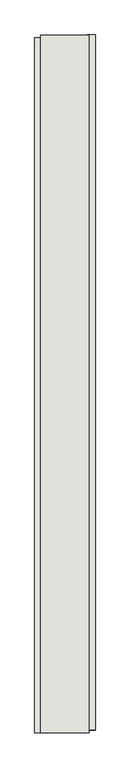
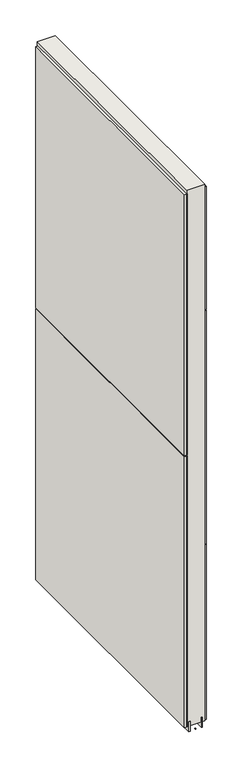
"""IFC4 building model written with IfcOpenShell, lengths in millimetres: wall geometry."""

from ifc_helpers import new_model, si_unit, frame, origin, place, context, project, spatial, polyline, outline, extrude, source, transform, mapped, element, save


def wall_fabd9701(model_context):
    return source(origin(), model_context, "Body", "SweptSolid", [
        extrude(outline(polyline([(48696.282211, -54562.5684718), (48696.282211, -54565.1084718), (48693.742211, -54565.1084718), (48693.742211, -54562.5684718), (48696.282211, -54562.5684718)])), frame((0.0, 0.0, 4419.6), z_axis=(0.0, 0.0, 1.0), x_axis=(1.0, 0.0, 0.0)), (0.0, 0.0, 1.0), 2.54),
        extrude(outline(polyline([(48644.212211, -54565.57159), (48644.212211, -53401.171582), (48656.912211, -53401.171582), (48656.912211, -54565.57159), (48644.212211, -54565.57159)])), frame((0.0, 0.0, 5742.4000722), z_axis=(0.0, 0.0, 1.0), x_axis=(1.0, 0.0, 0.0)), (0.0, 0.0, 1.0), 1247.649905),
        extrude(outline(polyline([(48644.212211, -54565.57159), (48644.212211, -53401.171582), (48656.912211, -53401.171582), (48656.912211, -54565.57159), (48644.212211, -54565.57159)])), frame((0.0, 0.0, 4445.0), z_axis=(0.0, 0.0, 1.0), x_axis=(1.0, 0.0, 0.0)), (0.0, 0.0, 1.0), 1293.400004),
        extrude(outline(polyline([(48745.812211, -53396.2478428), (48745.812211, -54560.6478508), (48733.112211, -54560.6478508), (48733.112211, -53396.2478428), (48745.812211, -53396.2478428)])), frame((0.0, 0.0, 6402.8000722), z_axis=(0.0, 0.0, 1.0), x_axis=(1.0, 0.0, 0.0)), (0.0, 0.0, 1.0), 587.2498034),
        extrude(outline(polyline([(48745.812211, -53396.2478428), (48745.812211, -54560.6478508), (48733.112211, -54560.6478508), (48733.112211, -53396.2478428), (48745.812211, -53396.2478428)])), frame((0.0, 0.0, 5285.2000722), z_axis=(0.0, 0.0, 1.0), x_axis=(1.0, 0.0, 0.0)), (0.0, 0.0, 1.0), 1113.5999572),
        extrude(outline(polyline([(48745.812211, -53396.2478428), (48745.812211, -54560.6478508), (48733.112211, -54560.6478508), (48733.112211, -53396.2478428), (48745.812211, -53396.2478428)])), frame((0.0, 0.0, 4445.0), z_axis=(0.0, 0.0, 1.0), x_axis=(1.0, 0.0, 0.0)), (0.0, 0.0, 1.0), 836.200004),
        extrude(outline(polyline([(48669.9315652, -53396.715914), (48669.9315652, -54565.115914), (48664.849711, -54565.115914), (48664.849711, -53396.715914), (48669.9315652, -53396.715914)])), frame((0.0, 0.0, 4418.6602), z_axis=(0.0, 0.0, 1.0), x_axis=(1.0, 0.0, 0.0)), (0.0, 0.0, 1.0), 47.625),
        extrude(outline(polyline([(48669.9315652, -53396.715914), (48669.9315652, -54565.115914), (48664.849711, -54565.115914), (48664.849711, -53396.715914), (48669.9315652, -53396.715914)])), frame((0.0, 0.0, 4418.6602), z_axis=(0.0, 0.0, 1.0), x_axis=(1.0, 0.0, 0.0)), (0.0, 0.0, 1.0), 47.625),
        extrude(outline(polyline([(48720.0959556, -54565.115914), (48720.0959556, -53396.715914), (48725.174711, -53396.715914), (48725.174711, -54565.115914), (48720.0959556, -54565.115914)])), frame((0.0, 0.0, 4418.6602), z_axis=(0.0, 0.0, 1.0), x_axis=(1.0, 0.0, 0.0)), (0.0, 0.0, 1.0), 47.625),
        extrude(outline(polyline([(48720.0959556, -54565.115914), (48720.0959556, -53396.715914), (48725.174711, -53396.715914), (48725.174711, -54565.115914), (48720.0959556, -54565.115914)])), frame((0.0, 0.0, 4418.6602), z_axis=(0.0, 0.0, 1.0), x_axis=(1.0, 0.0, 0.0)), (0.0, 0.0, 1.0), 47.625),
        extrude(outline(polyline([(48654.3604254, -53396.715914), (48735.6391808, -53396.715914), (48735.6391808, -54565.115914), (48654.3604254, -54565.115914), (48654.3604254, -53396.715914)])), frame((0.0, 0.0, 4445.0), z_axis=(0.0, 0.0, 1.0), x_axis=(1.0, 0.0, 0.0)), (0.0, 0.0, 1.0), 2562.4536762),
    ])


if __name__ == "__main__":
    model = new_model("IFC4")
    model_context = context("Model", 3, world=origin())
    ifc_project = project(units=[si_unit("LENGTHUNIT", "METRE", prefix="MILLI")], contexts=[model_context])
    site = spatial("IfcSite", under=ifc_project)
    building = spatial("IfcBuilding", under=site)
    placement = place(None, origin())
    wall_shape = wall_fabd9701(model_context)
    element("IfcWall", 1, at=placement, inside=building, context=model_context, shape_type="MappedRepresentation", body=[
        mapped(wall_shape, transform((0.0, 0.0, 0.0), x_axis=(1.0, 0.0, 0.0), y_axis=(0.0, 1.0, 0.0), z_axis=(0.0, 0.0, 1.0))),
    ])
    save(model, "model.ifc")
